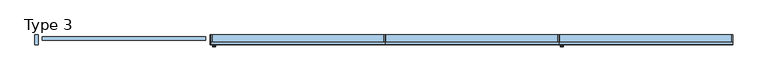
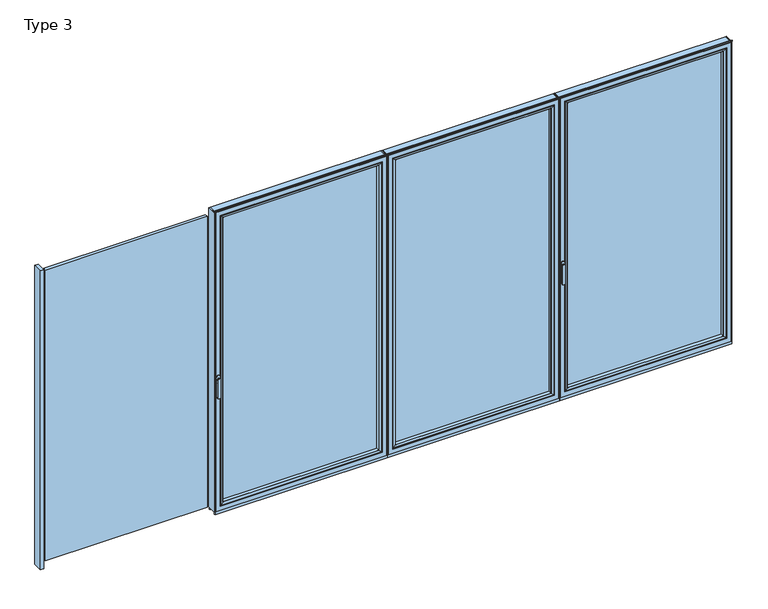
"""IFC4 building model written with IfcOpenShell, lengths in millimetres: window geometry, Type 3."""

from ifc_helpers import new_model, si_unit, point, frame, frame_2d, origin, place, context, project, spatial, polyline, circle_curve, ellipse_curve, trimmed, segment, composite_curve, outline, extrude, source, transform, mapped, element, save
from ifc_brep_helpers import plane_surface, cylinder_surface, extruded_surface, advanced_brep


def type_3_3ad7c6fe(model_context):
    return source(origin(), model_context, "Body", "SolidModel", [
        advanced_brep(
        [(-1209.4363692, -73.5, 1050.0), (-1233.4136308, -73.5, 1050.0), (-1209.4363692, -76.8965533, 1050.0), (-1233.4136308, -76.8965533, 1050.0), (-1209.4363692, -84.5, 1050.0), (-1233.4136308, -84.5, 1050.0), (-1233.4136308, -84.5, 918.6867153), (-1209.4363692, -84.5, 918.6867153), (-1209.4363692, -76.8965533, 918.6867153), (-1233.4136308, -76.8965533, 918.6867153)],
        [
            (0, 1, circle_curve(frame((-1221.425, -73.5, 1050.0), z_axis=(0.0, 1.0, 0.0), x_axis=(-1.0, 0.0, 0.0)), 11.9886308)),
            (1, 0, circle_curve(frame((-1221.425, -73.5, 1050.0), z_axis=(0.0, 1.0, 0.0), x_axis=(-1.0, 0.0, 0.0)), 11.9886308)),
            (0, 2),
            (2, 3, circle_curve(frame((-1221.425, -76.8965533, 1050.0), z_axis=(0.0, 1.0, 0.0), x_axis=(-1.0, 0.0, 0.0)), 11.9886308)),
            (3, 1),
            (3, 2, circle_curve(frame((-1221.425, -76.8965533, 1050.0), z_axis=(0.0, 1.0, 0.0), x_axis=(-1.0, 0.0, 0.0)), 11.9886308)),
            (4, 5, circle_curve(frame((-1221.425, -84.5, 1050.0), z_axis=(0.0, -1.0, 0.0), x_axis=(-1.0, 0.0, 0.0)), 11.9886308)),
            (5, 6),
            (6, 7, ellipse_curve(frame((-1221.425, -84.5, 918.6867153), z_axis=(0.0, -1.0, 0.0), x_axis=(1.0, 0.0, 0.0)), 11.9886308, 7.9050795)),
            (7, 4),
            (2, 8),
            (8, 9, ellipse_curve(frame((-1221.425, -76.8965533, 918.6867153), z_axis=(0.0, 1.0, 0.0), x_axis=(1.0, 0.0, 0.0)), 11.9886308, 7.9050795)),
            (9, 3),
            (7, 8),
            (2, 4),
            (6, 9),
            (5, 3),
        ],
        [
            plane_surface(frame((-1233.4136308, -73.5, 1050.0), z_axis=(0.0, 1.0, 0.0), x_axis=(0.0, 0.0, -1.0))),
            cylinder_surface(frame((-1221.425, -73.5, 1050.0), z_axis=(0.0, -1.0, 0.0), x_axis=(-1.0, 0.0, 0.0)), 11.9886308),
            plane_surface(frame((-1209.4363692, -84.5, 928.3382074), z_axis=(0.0, -1.0, 0.0), x_axis=(0.0, 0.0, -1.0))),
            plane_surface(frame((-1209.4363692, -76.8965533, 928.3382074), z_axis=(0.0, 1.0, 0.0), x_axis=(0.0, 0.0, 1.0))),
            plane_surface(frame((-1209.4363692, -84.5, 1050.0), z_axis=(1.0, 0.0, 0.0), x_axis=(0.0, 1.0, 0.0))),
            extruded_surface(trimmed(ellipse_curve(frame((-1221.425, -76.8965533, 918.6867153), z_axis=(0.0, 1.0, 0.0), x_axis=(1.0, 0.0, 0.0)), 11.9886308, 7.9050795), [point((-1209.4363692, -76.8965533, 918.6867153))], [point((-1233.4136308, -76.8965533, 918.6867153))], True, "CARTESIAN"), (0.0, 7.603446699999992, 0.0), 7.603446699999992),
            plane_surface(frame((-1233.4136308, -84.5, 918.6867153), z_axis=(-1.0, 0.0, 0.0), x_axis=(0.0, 1.0, 0.0))),
            cylinder_surface(frame((-1221.425, -76.8965533, 1050.0), z_axis=(0.0, -1.0, 0.0), x_axis=(-1.0, 0.0, 0.0)), 11.9886308),
        ],
        [
            (0, [[1, 2]]),
            (1, [[3, 4, 5, -1]]),
            (1, [[-5, 6, -3, -2]]),
            (2, [[7, 8, 9, 10]]),
            (3, [[-4, 11, 12, 13]]),
            (4, [[14, -11, 15, -10]]),
            (5, [[16, -12, -14, -9]]),
            (6, [[17, -13, -16, -8]]),
            (7, [[-15, -6, -17, -7]]),
        ],
    ),
        extrude(outline(composite_curve([segment(trimmed(circle_curve(frame_2d((1068.75, -1221.425)), 14.0), [point((1068.75, -1207.425))], [point((1068.75, -1235.425))], False, "CARTESIAN"), True, "CONTINUOUS"), segment(polyline([(1068.75, -1235.425), (1031.25, -1235.425)]), True, "CONTINUOUS"), segment(trimmed(circle_curve(frame_2d((1031.25, -1221.425)), 14.0), [point((1031.25, -1235.425))], [point((1031.25, -1207.425))], False, "CARTESIAN"), True, "CONTINUOUS"), segment(polyline([(1031.25, -1207.425), (1068.75, -1207.425)]), True, "CONTINUOUS")], self_intersect=False)), frame((0.0, -73.5, 0.0), z_axis=(0.0, 1.0, 0.0), x_axis=(0.0, 0.0, 1.0)), (0.0, 0.0, 1.0), 3.5),
        extrude(outline(polyline([(10.65, 0.0), (10.65, -70.0), (4.65, -70.0), (4.65, 0.0), (10.65, 0.0)])), frame((0.0, 0.0, 37.5), z_axis=(0.0, 0.0, 1.0), x_axis=(1.0, 0.0, 0.0)), (0.0, 0.0, 1.0), 2299.5),
        extrude(outline(polyline([(-1243.425, 0.0), (-1237.425, 0.0), (-1237.425, -70.0), (-1243.425, -70.0), (-1243.425, 0.0)])), frame((0.0, 0.0, 37.5), z_axis=(0.0, 0.0, 1.0), x_axis=(1.0, 0.0, 0.0)), (0.0, 0.0, 1.0), 2299.5),
        extrude(outline(polyline([(-27.35, -13.999939), (-27.35, -37.9928974), (-1205.425, -37.9928974), (-1205.425, -13.999939), (-27.35, -13.999939)])), frame((0.0, 0.0, 69.5), z_axis=(0.0, 0.0, 1.0), x_axis=(1.0, 0.0, 0.0)), (0.0, 0.0, 1.0), 2235.5),
        advanced_brep(
        [(-1183.4254272, -64.5552044, 2283.0004272), (-1183.4254272, -64.5552044, 91.4995728), (-1183.4254272, -37.9928974, 91.4995728), (-1183.4254272, -37.9928974, 2283.0004272), (-1205.425, -37.9928974, 2305.0), (-27.35, -37.9928974, 2305.0), (-27.35, -37.9928974, 69.5), (-1205.425, -37.9928974, 69.5), (-49.3495728, -37.9928974, 2283.0004272), (-49.3495728, -37.9928974, 91.4995728), (-49.3495728, -64.5552044, 91.4995728), (-1184.1349707, -65.8045072, 2283.7099707), (-1184.1349707, -65.8045072, 90.7900293), (-48.6400293, -65.8045072, 90.7900293), (-1199.425061, -70.0, 2299.000061), (-1199.425061, -70.0, 75.499939), (-33.349939, -70.0, 75.499939), (-27.35, -70.0, 2305.0), (-1205.425, -70.0, 2305.0), (-1205.425, -70.0, 69.5), (-27.35, -70.0, 69.5), (-33.349939, -70.0, 2299.000061), (-49.3495728, -64.5552044, 2283.0004272), (-48.6400293, -65.8045072, 2283.7099707)],
        [
            (0, 1),
            (1, 2),
            (2, 3),
            (3, 0),
            (4, 5),
            (5, 6),
            (6, 7),
            (7, 4),
            (8, 3),
            (2, 9),
            (9, 8),
            (1, 10),
            (10, 9),
            (11, 12),
            (12, 1, ellipse_curve(frame((-1184.8800312, -64.5552044, 90.0449688), z_axis=(-0.7071067811865475, 0.0, 0.7071067811865475), x_axis=(0.7071067811865474, 0.0, 0.7071067811865476)), 2.0571207, 1.454604)),
            (0, 11, ellipse_curve(frame((-1184.8800312, -64.5552044, 2284.4550312), z_axis=(-0.7071067811865475, 0.0, -0.7071067811865475), x_axis=(-0.7071067811865474, 0.0, 0.7071067811865476)), 2.0571207, 1.454604)),
            (12, 13),
            (13, 10, ellipse_curve(frame((-47.8949688, -64.5552044, 90.0449688), z_axis=(-0.7071067811865475, 0.0, -0.7071067811865475), x_axis=(-0.7071067811865476, 0.0, 0.7071067811865474)), 2.0571207, 1.454604)),
            (14, 15),
            (15, 12, ellipse_curve(frame((-1199.3611254, -40.2735922, 75.5638746), z_axis=(-0.7071067811865475, 0.0, 0.7071067811865475), x_axis=(0.7071067811865474, 0.0, 0.7071067811865476)), 42.0395863, 29.7264765)),
            (11, 14, ellipse_curve(frame((-1199.3611254, -40.2735922, 2298.9361254), z_axis=(-0.7071067811865475, 0.0, -0.7071067811865475), x_axis=(-0.7071067811865474, 0.0, 0.7071067811865476)), 42.0395863, 29.7264765)),
            (15, 16),
            (16, 13, ellipse_curve(frame((-33.4138746, -40.2735922, 75.5638746), z_axis=(-0.7071067811865475, 0.0, -0.7071067811865475), x_axis=(-0.7071067811865476, 0.0, 0.7071067811865474)), 42.0395863, 29.7264765)),
            (17, 18),
            (18, 19),
            (19, 20),
            (20, 17),
            (14, 21),
            (21, 16),
            (7, 19),
            (18, 4),
            (6, 20),
            (10, 22),
            (22, 8),
            (13, 23),
            (23, 22, ellipse_curve(frame((-47.8949688, -64.5552044, 2284.4550312), z_axis=(0.7071067811865475, 0.0, -0.7071067811865475), x_axis=(-0.7071067811865474, 0.0, -0.7071067811865476)), 2.0571207, 1.454604)),
            (21, 23, ellipse_curve(frame((-33.4138746, -40.2735922, 2298.9361254), z_axis=(0.7071067811865475, 0.0, -0.7071067811865475), x_axis=(-0.7071067811865474, 0.0, -0.7071067811865476)), 42.0395863, 29.7264765)),
            (5, 17),
            (22, 0),
            (23, 11),
        ],
        [
            plane_surface(frame((-1183.4254272, -37.9928974, 2283.0004272), z_axis=(1.0, 0.0, 0.0), x_axis=(0.0, 0.0, -1.0))),
            plane_surface(frame((-27.35, -37.9928974, 69.5), z_axis=(0.0, 1.0, 0.0), x_axis=(0.0, 0.0, 1.0))),
            plane_surface(frame((-1183.4254272, -37.9928974, 91.4995728), z_axis=(0.0, 0.0, 1.0), x_axis=(1.0, 0.0, 0.0))),
            cylinder_surface(frame((-1184.8800312, -64.5552044, 2283.0004272), z_axis=(0.0, 0.0, 1.0), x_axis=(-1.0, 0.0, 0.0)), 1.454604),
            cylinder_surface(frame((-1183.4254272, -64.5552044, 90.0449688), z_axis=(-1.0, 0.0, 0.0), x_axis=(0.0, 0.0, -1.0)), 1.454604),
            cylinder_surface(frame((-1199.3611254, -40.2735922, 2283.0004272), z_axis=(0.0, 0.0, 1.0), x_axis=(-1.0, 0.0, 0.0)), 29.7264765),
            cylinder_surface(frame((-1183.4254272, -40.2735922, 75.5638746), z_axis=(-1.0, 0.0, 0.0), x_axis=(0.0, 0.0, -1.0)), 29.7264765),
            plane_surface(frame((-33.349939, -70.0, 75.499939), z_axis=(0.0, -1.0, 0.0), x_axis=(0.0, 0.0, 1.0))),
            plane_surface(frame((-1205.425, -70.0, 2305.0), z_axis=(-1.0, 0.0, 0.0), x_axis=(0.0, 0.0, -1.0))),
            plane_surface(frame((-1205.425, -70.0, 69.5), z_axis=(0.0, 0.0, -1.0), x_axis=(1.0, 0.0, 0.0))),
            plane_surface(frame((-49.3495728, -37.9928974, 91.4995728), z_axis=(-1.0, 0.0, 0.0), x_axis=(0.0, 0.0, 1.0))),
            cylinder_surface(frame((-47.8949688, -64.5552044, 91.4995728), z_axis=(0.0, 0.0, -1.0), x_axis=(1.0, 0.0, 0.0)), 1.454604),
            cylinder_surface(frame((-33.4138746, -40.2735922, 91.4995728), z_axis=(0.0, 0.0, -1.0), x_axis=(1.0, 0.0, 0.0)), 29.7264765),
            plane_surface(frame((-27.35, -70.0, 69.5), z_axis=(1.0, 0.0, 0.0), x_axis=(0.0, 0.0, 1.0))),
            plane_surface(frame((-49.3495728, -37.9928974, 2283.0004272), z_axis=(0.0, 0.0, -1.0), x_axis=(-1.0, 0.0, 0.0))),
            cylinder_surface(frame((-49.3495728, -64.5552044, 2284.4550312), z_axis=(1.0, 0.0, 0.0), x_axis=(0.0, 0.0, 1.0)), 1.454604),
            cylinder_surface(frame((-49.3495728, -40.2735922, 2298.9361254), z_axis=(1.0, 0.0, 0.0), x_axis=(0.0, 0.0, 1.0)), 29.7264765),
            plane_surface(frame((-27.35, -70.0, 2305.0), z_axis=(0.0, 0.0, 1.0), x_axis=(-1.0, 0.0, 0.0))),
        ],
        [
            (0, [[1, 2, 3, 4]]),
            (1, [[5, 6, 7, 8], [9, -3, 10, 11]]),
            (2, [[12, 13, -10, -2]]),
            (3, [[14, 15, -1, 16]]),
            (4, [[17, 18, -12, -15]]),
            (5, [[19, 20, -14, 21]]),
            (6, [[22, 23, -17, -20]]),
            (7, [[24, 25, 26, 27], [28, 29, -22, -19]]),
            (8, [[-8, 30, -25, 31]]),
            (9, [[-7, 32, -26, -30]]),
            (10, [[33, 34, -11, -13]]),
            (11, [[35, 36, -33, -18]]),
            (12, [[-29, 37, -35, -23]]),
            (13, [[-6, 38, -27, -32]]),
            (14, [[39, -4, -9, -34]]),
            (15, [[40, -16, -39, -36]]),
            (16, [[-28, -21, -40, -37]]),
            (17, [[-5, -31, -24, -38]]),
        ],
    ),
        advanced_brep(
        [(4.65, -70.0, 2337.0), (4.65, -70.0, 37.5), (4.65, 0.0, 37.5), (4.65, 0.0, 2337.0), (-1237.425, -70.0, 37.5), (-1237.425, 0.0, 37.5), (-1237.425, 0.0, 2337.0), (-1187.9258099, 0.0, 86.9991901), (-44.8491901, 0.0, 86.9991901), (-44.8491901, 0.0, 2287.5008099), (-1187.9258099, 0.0, 2287.5008099), (-1237.425, -70.0, 2337.0), (-27.35, -70.0, 69.5), (-1205.425, -70.0, 69.5), (-1205.425, -70.0, 2305.0), (-27.35, -70.0, 2305.0), (-27.35, -13.999939, 2305.0), (-27.35, -13.999939, 69.5), (-1205.425, -13.999939, 69.5), (-1205.425, -13.999939, 2305.0), (-49.3495728, -13.999939, 91.4995728), (-1183.4254272, -13.999939, 91.4995728), (-1183.4254272, -13.999939, 2283.0004272), (-49.3495728, -13.999939, 2283.0004272), (-49.3495728, -4.5004435, 2283.0004272), (-49.3495728, -4.5004435, 91.4995728), (-1183.4254272, -4.5004435, 91.4995728), (-1183.4254272, -4.5004435, 2283.0004272)],
        [
            (0, 1),
            (1, 2),
            (2, 3),
            (3, 0),
            (1, 4),
            (4, 5),
            (5, 2),
            (5, 6),
            (6, 3),
            (7, 8),
            (8, 9),
            (9, 10),
            (10, 7),
            (4, 11),
            (11, 6),
            (0, 11),
            (12, 13),
            (13, 14),
            (14, 15),
            (15, 12),
            (16, 17),
            (17, 12),
            (15, 16),
            (17, 18),
            (18, 13),
            (18, 19),
            (19, 14),
            (16, 19),
            (20, 21),
            (21, 22),
            (22, 23),
            (23, 20),
            (24, 25),
            (25, 20),
            (23, 24),
            (25, 26),
            (26, 21),
            (26, 27),
            (27, 22),
            (7, 26, ellipse_curve(frame((-1187.9258099, -4.5004435, 86.9991901), z_axis=(0.7071067811865475, 0.0, -0.7071067811865475), x_axis=(0.7071067811865476, 0.0, 0.7071067811865474)), 6.3645023, 4.5003827)),
            (25, 8, ellipse_curve(frame((-44.8491901, -4.5004435, 86.9991901), z_axis=(-0.7071067811865475, 0.0, -0.7071067811865475), x_axis=(0.7071067811865476, 0.0, -0.7071067811865474)), 6.3645023, 4.5003827)),
            (24, 9, ellipse_curve(frame((-44.8491901, -4.5004435, 2287.5008099), z_axis=(0.7071067811865475, 0.0, -0.7071067811865475), x_axis=(0.7071067811865474, 0.0, 0.7071067811865476)), 6.3645023, 4.5003827)),
            (10, 27, ellipse_curve(frame((-1187.9258099, -4.5004435, 2287.5008099), z_axis=(-0.7071067811865475, 0.0, -0.7071067811865475), x_axis=(0.7071067811865474, 0.0, -0.7071067811865476)), 6.3645023, 4.5003827)),
            (27, 24),
        ],
        [
            plane_surface(frame((4.65, 0.0, 2337.0), z_axis=(1.0, 0.0, 0.0), x_axis=(0.0, 0.0, -1.0))),
            plane_surface(frame((4.65, 0.0, 37.5), z_axis=(0.0, 0.0, -1.0), x_axis=(-1.0, 0.0, 0.0))),
            plane_surface(frame((-44.8491901, 0.0, 2287.5008099), z_axis=(0.0, 1.0, 0.0), x_axis=(0.0, 0.0, -1.0))),
            plane_surface(frame((-1237.425, 0.0, 37.5), z_axis=(-1.0, 0.0, 0.0), x_axis=(0.0, 0.0, 1.0))),
            plane_surface(frame((4.65, -70.0, 2337.0), z_axis=(0.0, -1.0, 0.0), x_axis=(0.0, 0.0, -1.0))),
            plane_surface(frame((-27.35, -70.0, 2305.0), z_axis=(-1.0, 0.0, 0.0), x_axis=(0.0, 0.0, -1.0))),
            plane_surface(frame((-27.35, -70.0, 69.5), z_axis=(0.0, 0.0, 1.0), x_axis=(-1.0, 0.0, 0.0))),
            plane_surface(frame((-1205.425, -70.0, 69.5), z_axis=(1.0, 0.0, 0.0), x_axis=(0.0, 0.0, 1.0))),
            plane_surface(frame((-27.35, -13.999939, 2305.0), z_axis=(0.0, -1.0, 0.0), x_axis=(0.0, 0.0, -1.0))),
            plane_surface(frame((-49.3495728, -13.999939, 2283.0004272), z_axis=(-1.0, 0.0, 0.0), x_axis=(0.0, 0.0, -1.0))),
            plane_surface(frame((-49.3495728, -13.999939, 91.4995728), z_axis=(0.0, 0.0, 1.0), x_axis=(-1.0, 0.0, 0.0))),
            plane_surface(frame((-1183.4254272, -13.999939, 91.4995728), z_axis=(1.0, 0.0, 0.0), x_axis=(0.0, 0.0, 1.0))),
            cylinder_surface(frame((10.65, -4.5004435, 86.9991901), z_axis=(1.0, 0.0, 0.0), x_axis=(0.0, -1.0, 0.0)), 4.5003827),
            cylinder_surface(frame((-44.8491901, -4.5004435, 2343.0), z_axis=(0.0, 0.0, 1.0), x_axis=(0.0, -1.0, 0.0)), 4.5003827),
            cylinder_surface(frame((-1187.9258099, -4.5004435, 31.5), z_axis=(0.0, 0.0, -1.0), x_axis=(0.0, -1.0, 0.0)), 4.5003827),
            plane_surface(frame((-1237.425, 0.0, 2337.0), z_axis=(0.0, 0.0, 1.0), x_axis=(1.0, 0.0, 0.0))),
            plane_surface(frame((-1205.425, -70.0, 2305.0), z_axis=(0.0, 0.0, -1.0), x_axis=(1.0, 0.0, 0.0))),
            plane_surface(frame((-1183.4254272, -13.999939, 2283.0004272), z_axis=(0.0, 0.0, -1.0), x_axis=(1.0, 0.0, 0.0))),
            cylinder_surface(frame((-1243.425, -4.5004435, 2287.5008099), z_axis=(-1.0, 0.0, 0.0), x_axis=(0.0, -1.0, 0.0)), 4.5003827),
        ],
        [
            (0, [[1, 2, 3, 4]]),
            (1, [[5, 6, 7, -2]]),
            (2, [[-7, 8, 9, -3], [10, 11, 12, 13]]),
            (3, [[14, 15, -8, -6]]),
            (4, [[-5, -1, 16, -14], [17, 18, 19, 20]]),
            (5, [[21, 22, -20, 23]]),
            (6, [[24, 25, -17, -22]]),
            (7, [[26, 27, -18, -25]]),
            (8, [[-24, -21, 28, -26], [29, 30, 31, 32]]),
            (9, [[33, 34, -32, 35]]),
            (10, [[36, 37, -29, -34]]),
            (11, [[38, 39, -30, -37]]),
            (12, [[-10, 40, -36, 41]]),
            (13, [[-11, -41, -33, 42]]),
            (14, [[-13, 43, -38, -40]]),
            (15, [[-16, -4, -9, -15]]),
            (16, [[-28, -23, -19, -27]]),
            (17, [[44, -35, -31, -39]]),
            (18, [[-12, -42, -44, -43]]),
        ],
    ),
        extrude(outline(polyline([(10.65, -7.6000076), (-1243.425, -7.6000076), (-1243.425, 0.0), (10.65, 0.0), (10.65, -7.6000076)])), frame((0.0, 0.0, 15.4995117), z_axis=(0.0, 0.0, 1.0), x_axis=(1.0, 0.0, 0.0)), (0.0, 0.0, 1.0), 22.0004883),
        extrude(outline(polyline([(10.65, -70.0), (-1243.425, -70.0), (-1243.425, -62.2757497), (10.65, -62.2757497), (10.65, -70.0)])), frame((0.0, 0.0, 15.4995117), z_axis=(0.0, 0.0, 1.0), x_axis=(1.0, 0.0, 0.0)), (0.0, 0.0, 1.0), 22.0004883),
        extrude(outline(composite_curve([segment(polyline([(-52.044326, 2339.1400778), (-52.044326, 2337.0), (-70.0, 2337.0), (-71.8735116, 2343.9547971)]), True, "CONTINUOUS"), segment(trimmed(circle_curve(frame_2d((-69.9423544, 2344.4750201)), 2.0), [point((-71.8735116, 2343.9547971))], [point((-71.8738669, 2344.9939222))], False, "CARTESIAN"), True, "CONTINUOUS"), segment(polyline([(-71.8738669, 2344.9939222), (-70.8937897, 2348.6420698), (-70.0, 2348.6420698), (-70.0, 2342.963961), (-68.6363596, 2339.1400778), (-52.044326, 2339.1400778)]), True, "CONTINUOUS")], self_intersect=False)), frame((-1243.425, 0.0, 0.0), z_axis=(1.0, 0.0, 0.0), x_axis=(0.0, 1.0, 0.0)), (0.0, 0.0, 1.0), 1254.075),
        extrude(outline(polyline([(10.65, 0.0), (16.65, 0.0), (16.65, -70.0), (10.65, -70.0), (10.65, 0.0)])), frame((0.0, 0.0, 37.5), z_axis=(0.0, 0.0, 1.0), x_axis=(1.0, 0.0, 0.0)), (0.0, 0.0, 1.0), 2299.5),
        extrude(outline(polyline([(1264.725, 0.0), (1264.725, -70.0), (1258.725, -70.0), (1258.725, 0.0), (1264.725, 0.0)])), frame((0.0, 0.0, 37.5), z_axis=(0.0, 0.0, 1.0), x_axis=(1.0, 0.0, 0.0)), (0.0, 0.0, 1.0), 2299.5),
        extrude(outline(polyline([(48.65, -13.999939), (1226.725, -13.999939), (1226.725, -37.9928974), (48.65, -37.9928974), (48.65, -13.999939)])), frame((0.0, 0.0, 69.5), z_axis=(0.0, 0.0, 1.0), x_axis=(1.0, 0.0, 0.0)), (0.0, 0.0, 1.0), 2235.5),
        advanced_brep(
        [(1204.7254272, -64.5552044, 2283.0004272), (1204.7254272, -37.9928974, 2283.0004272), (1204.7254272, -37.9928974, 91.4995728), (1204.7254272, -64.5552044, 91.4995728), (1226.725, -37.9928974, 2305.0), (1226.725, -37.9928974, 69.5), (48.65, -37.9928974, 69.5), (48.65, -37.9928974, 2305.0), (70.6495728, -37.9928974, 2283.0004272), (70.6495728, -37.9928974, 91.4995728), (70.6495728, -64.5552044, 91.4995728), (1205.4349707, -65.8045072, 2283.7099707), (1205.4349707, -65.8045072, 90.7900293), (69.9400293, -65.8045072, 90.7900293), (1220.725061, -70.0, 2299.000061), (1220.725061, -70.0, 75.499939), (54.649939, -70.0, 75.499939), (48.65, -70.0, 2305.0), (48.65, -70.0, 69.5), (1226.725, -70.0, 69.5), (1226.725, -70.0, 2305.0), (54.649939, -70.0, 2299.000061), (70.6495728, -64.5552044, 2283.0004272), (69.9400293, -65.8045072, 2283.7099707)],
        [
            (0, 1),
            (1, 2),
            (2, 3),
            (3, 0),
            (4, 5),
            (5, 6),
            (6, 7),
            (7, 4),
            (8, 9),
            (9, 2),
            (1, 8),
            (9, 10),
            (10, 3),
            (11, 0, ellipse_curve(frame((1206.1800312, -64.5552044, 2284.4550312), z_axis=(0.7071067811865475, 0.0, -0.7071067811865475), x_axis=(0.7071067811865474, 0.0, 0.7071067811865476)), 2.0571207, 1.454604)),
            (3, 12, ellipse_curve(frame((1206.1800312, -64.5552044, 90.0449688), z_axis=(0.7071067811865475, 0.0, 0.7071067811865475), x_axis=(-0.7071067811865474, 0.0, 0.7071067811865476)), 2.0571207, 1.454604)),
            (12, 11),
            (10, 13, ellipse_curve(frame((69.1949688, -64.5552044, 90.0449688), z_axis=(0.7071067811865475, 0.0, -0.7071067811865475), x_axis=(0.7071067811865476, 0.0, 0.7071067811865474)), 2.0571207, 1.454604)),
            (13, 12),
            (14, 11, ellipse_curve(frame((1220.6611254, -40.2735922, 2298.9361254), z_axis=(0.7071067811865475, 0.0, -0.7071067811865475), x_axis=(0.7071067811865474, 0.0, 0.7071067811865476)), 42.0395863, 29.7264765)),
            (12, 15, ellipse_curve(frame((1220.6611254, -40.2735922, 75.5638746), z_axis=(0.7071067811865475, 0.0, 0.7071067811865475), x_axis=(-0.7071067811865474, 0.0, 0.7071067811865476)), 42.0395863, 29.7264765)),
            (15, 14),
            (13, 16, ellipse_curve(frame((54.7138746, -40.2735922, 75.5638746), z_axis=(0.7071067811865475, 0.0, -0.7071067811865475), x_axis=(0.7071067811865476, 0.0, 0.7071067811865474)), 42.0395863, 29.7264765)),
            (16, 15),
            (17, 18),
            (18, 19),
            (19, 20),
            (20, 17),
            (16, 21),
            (21, 14),
            (4, 20),
            (19, 5),
            (18, 6),
            (8, 22),
            (22, 10),
            (22, 23, ellipse_curve(frame((69.1949688, -64.5552044, 2284.4550312), z_axis=(-0.7071067811865475, 0.0, -0.7071067811865475), x_axis=(0.7071067811865474, 0.0, -0.7071067811865476)), 2.0571207, 1.454604)),
            (23, 13),
            (23, 21, ellipse_curve(frame((54.7138746, -40.2735922, 2298.9361254), z_axis=(-0.7071067811865475, 0.0, -0.7071067811865475), x_axis=(0.7071067811865474, 0.0, -0.7071067811865476)), 42.0395863, 29.7264765)),
            (17, 7),
            (0, 22),
            (11, 23),
        ],
        [
            plane_surface(frame((1204.7254272, -37.9928974, 2283.0004272), z_axis=(-1.0, 0.0, 0.0), x_axis=(0.0, 0.0, -1.0))),
            plane_surface(frame((48.65, -37.9928974, 69.5), z_axis=(0.0, 1.0, 0.0), x_axis=(0.0, 0.0, 1.0))),
            plane_surface(frame((1204.7254272, -37.9928974, 91.4995728), z_axis=(0.0, 0.0, 1.0), x_axis=(-1.0, 0.0, 0.0))),
            cylinder_surface(frame((1206.1800312, -64.5552044, 2283.0004272), z_axis=(0.0, 0.0, 1.0), x_axis=(1.0, 0.0, 0.0)), 1.454604),
            cylinder_surface(frame((1204.7254272, -64.5552044, 90.0449688), z_axis=(1.0, 0.0, 0.0), x_axis=(0.0, 0.0, -1.0)), 1.454604),
            cylinder_surface(frame((1220.6611254, -40.2735922, 2283.0004272), z_axis=(0.0, 0.0, 1.0), x_axis=(1.0, 0.0, 0.0)), 29.7264765),
            cylinder_surface(frame((1204.7254272, -40.2735922, 75.5638746), z_axis=(1.0, 0.0, 0.0), x_axis=(0.0, 0.0, -1.0)), 29.7264765),
            plane_surface(frame((54.649939, -70.0, 75.499939), z_axis=(0.0, -1.0, 0.0), x_axis=(0.0, 0.0, 1.0))),
            plane_surface(frame((1226.725, -70.0, 2305.0), z_axis=(1.0, 0.0, 0.0), x_axis=(0.0, 0.0, -1.0))),
            plane_surface(frame((1226.725, -70.0, 69.5), z_axis=(0.0, 0.0, -1.0), x_axis=(-1.0, 0.0, 0.0))),
            plane_surface(frame((70.6495728, -37.9928974, 91.4995728), z_axis=(1.0, 0.0, 0.0), x_axis=(0.0, 0.0, 1.0))),
            cylinder_surface(frame((69.1949688, -64.5552044, 91.4995728), z_axis=(0.0, 0.0, -1.0), x_axis=(-1.0, 0.0, 0.0)), 1.454604),
            cylinder_surface(frame((54.7138746, -40.2735922, 91.4995728), z_axis=(0.0, 0.0, -1.0), x_axis=(-1.0, 0.0, 0.0)), 29.7264765),
            plane_surface(frame((48.65, -70.0, 69.5), z_axis=(-1.0, 0.0, 0.0), x_axis=(0.0, 0.0, 1.0))),
            plane_surface(frame((70.6495728, -37.9928974, 2283.0004272), z_axis=(0.0, 0.0, -1.0), x_axis=(1.0, 0.0, 0.0))),
            cylinder_surface(frame((70.6495728, -64.5552044, 2284.4550312), z_axis=(-1.0, 0.0, 0.0), x_axis=(0.0, 0.0, 1.0)), 1.454604),
            cylinder_surface(frame((70.6495728, -40.2735922, 2298.9361254), z_axis=(-1.0, 0.0, 0.0), x_axis=(0.0, 0.0, 1.0)), 29.7264765),
            plane_surface(frame((48.65, -70.0, 2305.0), z_axis=(0.0, 0.0, 1.0), x_axis=(1.0, 0.0, 0.0))),
        ],
        [
            (0, [[1, 2, 3, 4]]),
            (1, [[5, 6, 7, 8], [9, 10, -2, 11]]),
            (2, [[-3, -10, 12, 13]]),
            (3, [[14, -4, 15, 16]]),
            (4, [[-15, -13, 17, 18]]),
            (5, [[19, -16, 20, 21]]),
            (6, [[-20, -18, 22, 23]]),
            (7, [[24, 25, 26, 27], [-21, -23, 28, 29]]),
            (8, [[30, -26, 31, -5]]),
            (9, [[-31, -25, 32, -6]]),
            (10, [[-12, -9, 33, 34]]),
            (11, [[-17, -34, 35, 36]]),
            (12, [[-22, -36, 37, -28]]),
            (13, [[-32, -24, 38, -7]]),
            (14, [[-33, -11, -1, 39]]),
            (15, [[-35, -39, -14, 40]]),
            (16, [[-37, -40, -19, -29]]),
            (17, [[-38, -27, -30, -8]]),
        ],
    ),
        advanced_brep(
        [(16.65, -70.0, 2337.0), (16.65, 0.0, 2337.0), (16.65, 0.0, 37.5), (16.65, -70.0, 37.5), (1258.725, 0.0, 37.5), (1258.725, -70.0, 37.5), (1258.725, 0.0, 2337.0), (1209.2258099, 0.0, 86.9991901), (1209.2258099, 0.0, 2287.5008099), (66.1491901, 0.0, 2287.5008099), (66.1491901, 0.0, 86.9991901), (1258.725, -70.0, 2337.0), (48.65, -70.0, 69.5), (48.65, -70.0, 2305.0), (1226.725, -70.0, 2305.0), (1226.725, -70.0, 69.5), (48.65, -13.999939, 2305.0), (48.65, -13.999939, 69.5), (1226.725, -13.999939, 69.5), (1226.725, -13.999939, 2305.0), (70.6495728, -13.999939, 91.4995728), (70.6495728, -13.999939, 2283.0004272), (1204.7254272, -13.999939, 2283.0004272), (1204.7254272, -13.999939, 91.4995728), (70.6495728, -4.5004435, 2283.0004272), (70.6495728, -4.5004435, 91.4995728), (1204.7254272, -4.5004435, 91.4995728), (1204.7254272, -4.5004435, 2283.0004272)],
        [
            (0, 1),
            (1, 2),
            (2, 3),
            (3, 0),
            (2, 4),
            (4, 5),
            (5, 3),
            (1, 6),
            (6, 4),
            (7, 8),
            (8, 9),
            (9, 10),
            (10, 7),
            (6, 11),
            (11, 5),
            (11, 0),
            (12, 13),
            (13, 14),
            (14, 15),
            (15, 12),
            (16, 13),
            (12, 17),
            (17, 16),
            (15, 18),
            (18, 17),
            (14, 19),
            (19, 18),
            (19, 16),
            (20, 21),
            (21, 22),
            (22, 23),
            (23, 20),
            (24, 21),
            (20, 25),
            (25, 24),
            (23, 26),
            (26, 25),
            (22, 27),
            (27, 26),
            (10, 25, ellipse_curve(frame((66.1491901, -4.5004435, 86.9991901), z_axis=(0.7071067811865475, 0.0, -0.7071067811865475), x_axis=(-0.7071067811865476, 0.0, -0.7071067811865474)), 6.3645023, 4.5003827)),
            (26, 7, ellipse_curve(frame((1209.2258099, -4.5004435, 86.9991901), z_axis=(-0.7071067811865475, 0.0, -0.7071067811865475), x_axis=(-0.7071067811865476, 0.0, 0.7071067811865474)), 6.3645023, 4.5003827)),
            (9, 24, ellipse_curve(frame((66.1491901, -4.5004435, 2287.5008099), z_axis=(-0.7071067811865475, 0.0, -0.7071067811865475), x_axis=(-0.7071067811865474, 0.0, 0.7071067811865476)), 6.3645023, 4.5003827)),
            (27, 8, ellipse_curve(frame((1209.2258099, -4.5004435, 2287.5008099), z_axis=(0.7071067811865475, 0.0, -0.7071067811865475), x_axis=(-0.7071067811865474, 0.0, -0.7071067811865476)), 6.3645023, 4.5003827)),
            (24, 27),
        ],
        [
            plane_surface(frame((16.65, 0.0, 2337.0), z_axis=(-1.0, 0.0, 0.0), x_axis=(0.0, 0.0, -1.0))),
            plane_surface(frame((16.65, 0.0, 37.5), z_axis=(0.0, 0.0, -1.0), x_axis=(1.0, 0.0, 0.0))),
            plane_surface(frame((66.1491901, 0.0, 2287.5008099), z_axis=(0.0, 1.0, 0.0), x_axis=(0.0, 0.0, -1.0))),
            plane_surface(frame((1258.725, 0.0, 37.5), z_axis=(1.0, 0.0, 0.0), x_axis=(0.0, 0.0, 1.0))),
            plane_surface(frame((16.65, -70.0, 2337.0), z_axis=(0.0, -1.0, 0.0), x_axis=(0.0, 0.0, -1.0))),
            plane_surface(frame((48.65, -70.0, 2305.0), z_axis=(1.0, 0.0, 0.0), x_axis=(0.0, 0.0, -1.0))),
            plane_surface(frame((48.65, -70.0, 69.5), z_axis=(0.0, 0.0, 1.0), x_axis=(1.0, 0.0, 0.0))),
            plane_surface(frame((1226.725, -70.0, 69.5), z_axis=(-1.0, 0.0, 0.0), x_axis=(0.0, 0.0, 1.0))),
            plane_surface(frame((48.65, -13.999939, 2305.0), z_axis=(0.0, -1.0, 0.0), x_axis=(0.0, 0.0, -1.0))),
            plane_surface(frame((70.6495728, -13.999939, 2283.0004272), z_axis=(1.0, 0.0, 0.0), x_axis=(0.0, 0.0, -1.0))),
            plane_surface(frame((70.6495728, -13.999939, 91.4995728), z_axis=(0.0, 0.0, 1.0), x_axis=(1.0, 0.0, 0.0))),
            plane_surface(frame((1204.7254272, -13.999939, 91.4995728), z_axis=(-1.0, 0.0, 0.0), x_axis=(0.0, 0.0, 1.0))),
            cylinder_surface(frame((10.65, -4.5004435, 86.9991901), z_axis=(-1.0, 0.0, 0.0), x_axis=(0.0, -1.0, 0.0)), 4.5003827),
            cylinder_surface(frame((66.1491901, -4.5004435, 2343.0), z_axis=(0.0, 0.0, 1.0), x_axis=(0.0, -1.0, 0.0)), 4.5003827),
            cylinder_surface(frame((1209.2258099, -4.5004435, 31.5), z_axis=(0.0, 0.0, -1.0), x_axis=(0.0, -1.0, 0.0)), 4.5003827),
            plane_surface(frame((1258.725, 0.0, 2337.0), z_axis=(0.0, 0.0, 1.0), x_axis=(-1.0, 0.0, 0.0))),
            plane_surface(frame((1226.725, -70.0, 2305.0), z_axis=(0.0, 0.0, -1.0), x_axis=(-1.0, 0.0, 0.0))),
            plane_surface(frame((1204.7254272, -13.999939, 2283.0004272), z_axis=(0.0, 0.0, -1.0), x_axis=(-1.0, 0.0, 0.0))),
            cylinder_surface(frame((1264.725, -4.5004435, 2287.5008099), z_axis=(1.0, 0.0, 0.0), x_axis=(0.0, -1.0, 0.0)), 4.5003827),
        ],
        [
            (0, [[1, 2, 3, 4]]),
            (1, [[-3, 5, 6, 7]]),
            (2, [[-2, 8, 9, -5], [10, 11, 12, 13]]),
            (3, [[-6, -9, 14, 15]]),
            (4, [[-15, 16, -4, -7], [17, 18, 19, 20]]),
            (5, [[21, -17, 22, 23]]),
            (6, [[-22, -20, 24, 25]]),
            (7, [[-24, -19, 26, 27]]),
            (8, [[-27, 28, -23, -25], [29, 30, 31, 32]]),
            (9, [[33, -29, 34, 35]]),
            (10, [[-34, -32, 36, 37]]),
            (11, [[-36, -31, 38, 39]]),
            (12, [[40, -37, 41, -13]]),
            (13, [[42, -35, -40, -12]]),
            (14, [[-41, -39, 43, -10]]),
            (15, [[-14, -8, -1, -16]]),
            (16, [[-26, -18, -21, -28]]),
            (17, [[-38, -30, -33, 44]]),
            (18, [[-43, -44, -42, -11]]),
        ],
    ),
        extrude(outline(polyline([(10.65, -7.6000076), (10.65, 0.0), (1264.725, 0.0), (1264.725, -7.6000076), (10.65, -7.6000076)])), frame((0.0, 0.0, 15.4995117), z_axis=(0.0, 0.0, 1.0), x_axis=(1.0, 0.0, 0.0)), (0.0, 0.0, 1.0), 22.0004883),
        extrude(outline(polyline([(10.65, -70.0), (10.65, -62.2757497), (1264.725, -62.2757497), (1264.725, -70.0), (10.65, -70.0)])), frame((0.0, 0.0, 15.4995117), z_axis=(0.0, 0.0, 1.0), x_axis=(1.0, 0.0, 0.0)), (0.0, 0.0, 1.0), 22.0004883),
        extrude(outline(composite_curve([segment(polyline([(-52.044326, 2339.1400778), (-52.044326, 2337.0), (-70.0, 2337.0), (-71.8735116, 2343.9547971)]), True, "CONTINUOUS"), segment(trimmed(circle_curve(frame_2d((-69.9423544, 2344.4750201)), 2.0), [point((-71.8735116, 2343.9547971))], [point((-71.8738669, 2344.9939222))], False, "CARTESIAN"), True, "CONTINUOUS"), segment(polyline([(-71.8738669, 2344.9939222), (-70.8937897, 2348.6420698), (-70.0, 2348.6420698), (-70.0, 2342.963961), (-68.6363596, 2339.1400778), (-52.044326, 2339.1400778)]), True, "CONTINUOUS")], self_intersect=False)), frame((10.65, 0.0, 0.0), z_axis=(1.0, 0.0, 0.0), x_axis=(0.0, 1.0, 0.0)), (0.0, 0.0, 1.0), 1254.075),
        advanced_brep(
        [(1298.7136308, -73.5, 1050.0), (1274.7363692, -73.5, 1050.0), (1298.7136308, -76.8965533, 1050.0), (1274.7363692, -76.8965533, 1050.0), (1298.7136308, -84.5, 1050.0), (1274.7363692, -84.5, 1050.0), (1274.7363692, -84.5, 918.6867153), (1298.7136308, -84.5, 918.6867153), (1298.7136308, -76.8965533, 918.6867153), (1274.7363692, -76.8965533, 918.6867153)],
        [
            (0, 1, circle_curve(frame((1286.725, -73.5, 1050.0), z_axis=(0.0, 1.0, 0.0), x_axis=(-1.0, 0.0, 0.0)), 11.9886308)),
            (1, 0, circle_curve(frame((1286.725, -73.5, 1050.0), z_axis=(0.0, 1.0, 0.0), x_axis=(-1.0, 0.0, 0.0)), 11.9886308)),
            (0, 2),
            (2, 3, circle_curve(frame((1286.725, -76.8965533, 1050.0), z_axis=(0.0, 1.0, 0.0), x_axis=(-1.0, 0.0, 0.0)), 11.9886308)),
            (3, 1),
            (3, 2, circle_curve(frame((1286.725, -76.8965533, 1050.0), z_axis=(0.0, 1.0, 0.0), x_axis=(-1.0, 0.0, 0.0)), 11.9886308)),
            (4, 5, circle_curve(frame((1286.725, -84.5, 1050.0), z_axis=(0.0, -1.0, 0.0), x_axis=(-1.0, 0.0, 0.0)), 11.9886308)),
            (5, 6),
            (6, 7, ellipse_curve(frame((1286.725, -84.5, 918.6867153), z_axis=(0.0, -1.0, 0.0), x_axis=(1.0, 0.0, 0.0)), 11.9886308, 7.9050795)),
            (7, 4),
            (2, 8),
            (8, 9, ellipse_curve(frame((1286.725, -76.8965533, 918.6867153), z_axis=(0.0, 1.0, 0.0), x_axis=(1.0, 0.0, 0.0)), 11.9886308, 7.9050795)),
            (9, 3),
            (7, 8),
            (2, 4),
            (6, 9),
            (5, 3),
        ],
        [
            plane_surface(frame((1274.7363692, -73.5, 1050.0), z_axis=(0.0, 1.0, 0.0), x_axis=(0.0, 0.0, -1.0))),
            cylinder_surface(frame((1286.725, -73.5, 1050.0), z_axis=(0.0, -1.0, 0.0), x_axis=(-1.0, 0.0, 0.0)), 11.9886308),
            plane_surface(frame((1298.7136308, -84.5, 928.3382074), z_axis=(0.0, -1.0, 0.0), x_axis=(0.0, 0.0, -1.0))),
            plane_surface(frame((1298.7136308, -76.8965533, 928.3382074), z_axis=(0.0, 1.0, 0.0), x_axis=(0.0, 0.0, 1.0))),
            plane_surface(frame((1298.7136308, -84.5, 1050.0), z_axis=(1.0, 0.0, 0.0), x_axis=(0.0, 1.0, 0.0))),
            extruded_surface(trimmed(ellipse_curve(frame((1286.725, -76.8965533, 918.6867153), z_axis=(0.0, 1.0, 0.0), x_axis=(1.0, 0.0, 0.0)), 11.9886308, 7.9050795), [point((1298.7136308, -76.8965533, 918.6867153))], [point((1274.7363692, -76.8965533, 918.6867153))], True, "CARTESIAN"), (0.0, 7.603446699999992, 0.0), 7.603446699999992),
            plane_surface(frame((1274.7363692, -84.5, 918.6867153), z_axis=(-1.0, 0.0, 0.0), x_axis=(0.0, 1.0, 0.0))),
            cylinder_surface(frame((1286.725, -76.8965533, 1050.0), z_axis=(0.0, -1.0, 0.0), x_axis=(-1.0, 0.0, 0.0)), 11.9886308),
        ],
        [
            (0, [[1, 2]]),
            (1, [[3, 4, 5, -1]]),
            (1, [[-5, 6, -3, -2]]),
            (2, [[7, 8, 9, 10]]),
            (3, [[-4, 11, 12, 13]]),
            (4, [[14, -11, 15, -10]]),
            (5, [[16, -12, -14, -9]]),
            (6, [[17, -13, -16, -8]]),
            (7, [[-15, -6, -17, -7]]),
        ],
    ),
        extrude(outline(composite_curve([segment(trimmed(circle_curve(frame_2d((1068.75, 1286.725)), 14.0), [point((1068.75, 1300.725))], [point((1068.75, 1272.725))], False, "CARTESIAN"), True, "CONTINUOUS"), segment(polyline([(1068.75, 1272.725), (1031.25, 1272.725)]), True, "CONTINUOUS"), segment(trimmed(circle_curve(frame_2d((1031.25, 1286.725)), 14.0), [point((1031.25, 1272.725))], [point((1031.25, 1300.725))], False, "CARTESIAN"), True, "CONTINUOUS"), segment(polyline([(1031.25, 1300.725), (1068.75, 1300.725)]), True, "CONTINUOUS")], self_intersect=False)), frame((0.0, -73.5, 0.0), z_axis=(0.0, 1.0, 0.0), x_axis=(0.0, 0.0, 1.0)), (0.0, 0.0, 1.0), 3.5),
        extrude(outline(polyline([(2518.8, 0.0), (2518.8, -70.0), (2512.8, -70.0), (2512.8, 0.0), (2518.8, 0.0)])), frame((0.0, 0.0, 37.5), z_axis=(0.0, 0.0, 1.0), x_axis=(1.0, 0.0, 0.0)), (0.0, 0.0, 1.0), 2299.5),
        extrude(outline(polyline([(1264.725, 0.0), (1270.725, 0.0), (1270.725, -70.0), (1264.725, -70.0), (1264.725, 0.0)])), frame((0.0, 0.0, 37.5), z_axis=(0.0, 0.0, 1.0), x_axis=(1.0, 0.0, 0.0)), (0.0, 0.0, 1.0), 2299.5),
        extrude(outline(polyline([(2480.8, -13.999939), (2480.8, -37.9928974), (1302.725, -37.9928974), (1302.725, -13.999939), (2480.8, -13.999939)])), frame((0.0, 0.0, 69.5), z_axis=(0.0, 0.0, 1.0), x_axis=(1.0, 0.0, 0.0)), (0.0, 0.0, 1.0), 2235.5),
        advanced_brep(
        [(1324.7245728, -64.5552044, 2283.0004272), (1324.7245728, -64.5552044, 91.4995728), (1324.7245728, -37.9928974, 91.4995728), (1324.7245728, -37.9928974, 2283.0004272), (1302.725, -37.9928974, 2305.0), (2480.8, -37.9928974, 2305.0), (2480.8, -37.9928974, 69.5), (1302.725, -37.9928974, 69.5), (2458.8004272, -37.9928974, 2283.0004272), (2458.8004272, -37.9928974, 91.4995728), (2458.8004272, -64.5552044, 91.4995728), (1324.0150293, -65.8045072, 2283.7099707), (1324.0150293, -65.8045072, 90.7900293), (2459.5099707, -65.8045072, 90.7900293), (1308.724939, -70.0, 2299.000061), (1308.724939, -70.0, 75.499939), (2474.800061, -70.0, 75.499939), (2480.8, -70.0, 2305.0), (1302.725, -70.0, 2305.0), (1302.725, -70.0, 69.5), (2480.8, -70.0, 69.5), (2474.800061, -70.0, 2299.000061), (2458.8004272, -64.5552044, 2283.0004272), (2459.5099707, -65.8045072, 2283.7099707)],
        [
            (0, 1),
            (1, 2),
            (2, 3),
            (3, 0),
            (4, 5),
            (5, 6),
            (6, 7),
            (7, 4),
            (8, 3),
            (2, 9),
            (9, 8),
            (1, 10),
            (10, 9),
            (11, 12),
            (12, 1, ellipse_curve(frame((1323.2699688, -64.5552044, 90.0449688), z_axis=(-0.7071067811865475, 0.0, 0.7071067811865475), x_axis=(0.7071067811865474, 0.0, 0.7071067811865476)), 2.0571207, 1.454604)),
            (0, 11, ellipse_curve(frame((1323.2699688, -64.5552044, 2284.4550312), z_axis=(-0.7071067811865475, 0.0, -0.7071067811865475), x_axis=(-0.7071067811865474, 0.0, 0.7071067811865476)), 2.0571207, 1.454604)),
            (12, 13),
            (13, 10, ellipse_curve(frame((2460.2550312, -64.5552044, 90.0449688), z_axis=(-0.7071067811865475, 0.0, -0.7071067811865475), x_axis=(-0.7071067811865476, 0.0, 0.7071067811865474)), 2.0571207, 1.454604)),
            (14, 15),
            (15, 12, ellipse_curve(frame((1308.7888746, -40.2735922, 75.5638746), z_axis=(-0.7071067811865475, 0.0, 0.7071067811865475), x_axis=(0.7071067811865474, 0.0, 0.7071067811865476)), 42.0395863, 29.7264765)),
            (11, 14, ellipse_curve(frame((1308.7888746, -40.2735922, 2298.9361254), z_axis=(-0.7071067811865475, 0.0, -0.7071067811865475), x_axis=(-0.7071067811865474, 0.0, 0.7071067811865476)), 42.0395863, 29.7264765)),
            (15, 16),
            (16, 13, ellipse_curve(frame((2474.7361254, -40.2735922, 75.5638746), z_axis=(-0.7071067811865475, 0.0, -0.7071067811865475), x_axis=(-0.7071067811865476, 0.0, 0.7071067811865474)), 42.0395863, 29.7264765)),
            (17, 18),
            (18, 19),
            (19, 20),
            (20, 17),
            (14, 21),
            (21, 16),
            (7, 19),
            (18, 4),
            (6, 20),
            (10, 22),
            (22, 8),
            (13, 23),
            (23, 22, ellipse_curve(frame((2460.2550312, -64.5552044, 2284.4550312), z_axis=(0.7071067811865475, 0.0, -0.7071067811865475), x_axis=(-0.7071067811865474, 0.0, -0.7071067811865476)), 2.0571207, 1.454604)),
            (21, 23, ellipse_curve(frame((2474.7361254, -40.2735922, 2298.9361254), z_axis=(0.7071067811865475, 0.0, -0.7071067811865475), x_axis=(-0.7071067811865474, 0.0, -0.7071067811865476)), 42.0395863, 29.7264765)),
            (5, 17),
            (22, 0),
            (23, 11),
        ],
        [
            plane_surface(frame((1324.7245728, -37.9928974, 2283.0004272), z_axis=(1.0, 0.0, 0.0), x_axis=(0.0, 0.0, -1.0))),
            plane_surface(frame((2480.8, -37.9928974, 69.5), z_axis=(0.0, 1.0, 0.0), x_axis=(0.0, 0.0, 1.0))),
            plane_surface(frame((1324.7245728, -37.9928974, 91.4995728), z_axis=(0.0, 0.0, 1.0), x_axis=(1.0, 0.0, 0.0))),
            cylinder_surface(frame((1323.2699688, -64.5552044, 2283.0004272), z_axis=(0.0, 0.0, 1.0), x_axis=(-1.0, 0.0, 0.0)), 1.454604),
            cylinder_surface(frame((1324.7245728, -64.5552044, 90.0449688), z_axis=(-1.0, 0.0, 0.0), x_axis=(0.0, 0.0, -1.0)), 1.454604),
            cylinder_surface(frame((1308.7888746, -40.2735922, 2283.0004272), z_axis=(0.0, 0.0, 1.0), x_axis=(-1.0, 0.0, 0.0)), 29.7264765),
            cylinder_surface(frame((1324.7245728, -40.2735922, 75.5638746), z_axis=(-1.0, 0.0, 0.0), x_axis=(0.0, 0.0, -1.0)), 29.7264765),
            plane_surface(frame((2474.800061, -70.0, 75.499939), z_axis=(0.0, -1.0, 0.0), x_axis=(0.0, 0.0, 1.0))),
            plane_surface(frame((1302.725, -70.0, 2305.0), z_axis=(-1.0, 0.0, 0.0), x_axis=(0.0, 0.0, -1.0))),
            plane_surface(frame((1302.725, -70.0, 69.5), z_axis=(0.0, 0.0, -1.0), x_axis=(1.0, 0.0, 0.0))),
            plane_surface(frame((2458.8004272, -37.9928974, 91.4995728), z_axis=(-1.0, 0.0, 0.0), x_axis=(0.0, 0.0, 1.0))),
            cylinder_surface(frame((2460.2550312, -64.5552044, 91.4995728), z_axis=(0.0, 0.0, -1.0), x_axis=(1.0, 0.0, 0.0)), 1.454604),
            cylinder_surface(frame((2474.7361254, -40.2735922, 91.4995728), z_axis=(0.0, 0.0, -1.0), x_axis=(1.0, 0.0, 0.0)), 29.7264765),
            plane_surface(frame((2480.8, -70.0, 69.5), z_axis=(1.0, 0.0, 0.0), x_axis=(0.0, 0.0, 1.0))),
            plane_surface(frame((2458.8004272, -37.9928974, 2283.0004272), z_axis=(0.0, 0.0, -1.0), x_axis=(-1.0, 0.0, 0.0))),
            cylinder_surface(frame((2458.8004272, -64.5552044, 2284.4550312), z_axis=(1.0, 0.0, 0.0), x_axis=(0.0, 0.0, 1.0)), 1.454604),
            cylinder_surface(frame((2458.8004272, -40.2735922, 2298.9361254), z_axis=(1.0, 0.0, 0.0), x_axis=(0.0, 0.0, 1.0)), 29.7264765),
            plane_surface(frame((2480.8, -70.0, 2305.0), z_axis=(0.0, 0.0, 1.0), x_axis=(-1.0, 0.0, 0.0))),
        ],
        [
            (0, [[1, 2, 3, 4]]),
            (1, [[5, 6, 7, 8], [9, -3, 10, 11]]),
            (2, [[12, 13, -10, -2]]),
            (3, [[14, 15, -1, 16]]),
            (4, [[17, 18, -12, -15]]),
            (5, [[19, 20, -14, 21]]),
            (6, [[22, 23, -17, -20]]),
            (7, [[24, 25, 26, 27], [28, 29, -22, -19]]),
            (8, [[-8, 30, -25, 31]]),
            (9, [[-7, 32, -26, -30]]),
            (10, [[33, 34, -11, -13]]),
            (11, [[35, 36, -33, -18]]),
            (12, [[-29, 37, -35, -23]]),
            (13, [[-6, 38, -27, -32]]),
            (14, [[39, -4, -9, -34]]),
            (15, [[40, -16, -39, -36]]),
            (16, [[-28, -21, -40, -37]]),
            (17, [[-5, -31, -24, -38]]),
        ],
    ),
        advanced_brep(
        [(2512.8, -70.0, 2337.0), (2512.8, -70.0, 37.5), (2512.8, 0.0, 37.5), (2512.8, 0.0, 2337.0), (1270.725, -70.0, 37.5), (1270.725, 0.0, 37.5), (1270.725, 0.0, 2337.0), (1320.2241901, 0.0, 86.9991901), (2463.3008099, 0.0, 86.9991901), (2463.3008099, 0.0, 2287.5008099), (1320.2241901, 0.0, 2287.5008099), (1270.725, -70.0, 2337.0), (2480.8, -70.0, 69.5), (1302.725, -70.0, 69.5), (1302.725, -70.0, 2305.0), (2480.8, -70.0, 2305.0), (2480.8, -13.999939, 2305.0), (2480.8, -13.999939, 69.5), (1302.725, -13.999939, 69.5), (1302.725, -13.999939, 2305.0), (2458.8004272, -13.999939, 91.4995728), (1324.7245728, -13.999939, 91.4995728), (1324.7245728, -13.999939, 2283.0004272), (2458.8004272, -13.999939, 2283.0004272), (2458.8004272, -4.5004435, 2283.0004272), (2458.8004272, -4.5004435, 91.4995728), (1324.7245728, -4.5004435, 91.4995728), (1324.7245728, -4.5004435, 2283.0004272)],
        [
            (0, 1),
            (1, 2),
            (2, 3),
            (3, 0),
            (1, 4),
            (4, 5),
            (5, 2),
            (5, 6),
            (6, 3),
            (7, 8),
            (8, 9),
            (9, 10),
            (10, 7),
            (4, 11),
            (11, 6),
            (0, 11),
            (12, 13),
            (13, 14),
            (14, 15),
            (15, 12),
            (16, 17),
            (17, 12),
            (15, 16),
            (17, 18),
            (18, 13),
            (18, 19),
            (19, 14),
            (16, 19),
            (20, 21),
            (21, 22),
            (22, 23),
            (23, 20),
            (24, 25),
            (25, 20),
            (23, 24),
            (25, 26),
            (26, 21),
            (26, 27),
            (27, 22),
            (7, 26, ellipse_curve(frame((1320.2241901, -4.5004435, 86.9991901), z_axis=(0.7071067811865475, 0.0, -0.7071067811865475), x_axis=(0.7071067811865476, 0.0, 0.7071067811865474)), 6.3645023, 4.5003827)),
            (25, 8, ellipse_curve(frame((2463.3008099, -4.5004435, 86.9991901), z_axis=(-0.7071067811865475, 0.0, -0.7071067811865475), x_axis=(0.7071067811865476, 0.0, -0.7071067811865474)), 6.3645023, 4.5003827)),
            (24, 9, ellipse_curve(frame((2463.3008099, -4.5004435, 2287.5008099), z_axis=(0.7071067811865475, 0.0, -0.7071067811865475), x_axis=(0.7071067811865474, 0.0, 0.7071067811865476)), 6.3645023, 4.5003827)),
            (10, 27, ellipse_curve(frame((1320.2241901, -4.5004435, 2287.5008099), z_axis=(-0.7071067811865475, 0.0, -0.7071067811865475), x_axis=(0.7071067811865474, 0.0, -0.7071067811865476)), 6.3645023, 4.5003827)),
            (27, 24),
        ],
        [
            plane_surface(frame((2512.8, 0.0, 2337.0), z_axis=(1.0, 0.0, 0.0), x_axis=(0.0, 0.0, -1.0))),
            plane_surface(frame((2512.8, 0.0, 37.5), z_axis=(0.0, 0.0, -1.0), x_axis=(-1.0, 0.0, 0.0))),
            plane_surface(frame((2463.3008099, 0.0, 2287.5008099), z_axis=(0.0, 1.0, 0.0), x_axis=(0.0, 0.0, -1.0))),
            plane_surface(frame((1270.725, 0.0, 37.5), z_axis=(-1.0, 0.0, 0.0), x_axis=(0.0, 0.0, 1.0))),
            plane_surface(frame((2512.8, -70.0, 2337.0), z_axis=(0.0, -1.0, 0.0), x_axis=(0.0, 0.0, -1.0))),
            plane_surface(frame((2480.8, -70.0, 2305.0), z_axis=(-1.0, 0.0, 0.0), x_axis=(0.0, 0.0, -1.0))),
            plane_surface(frame((2480.8, -70.0, 69.5), z_axis=(0.0, 0.0, 1.0), x_axis=(-1.0, 0.0, 0.0))),
            plane_surface(frame((1302.725, -70.0, 69.5), z_axis=(1.0, 0.0, 0.0), x_axis=(0.0, 0.0, 1.0))),
            plane_surface(frame((2480.8, -13.999939, 2305.0), z_axis=(0.0, -1.0, 0.0), x_axis=(0.0, 0.0, -1.0))),
            plane_surface(frame((2458.8004272, -13.999939, 2283.0004272), z_axis=(-1.0, 0.0, 0.0), x_axis=(0.0, 0.0, -1.0))),
            plane_surface(frame((2458.8004272, -13.999939, 91.4995728), z_axis=(0.0, 0.0, 1.0), x_axis=(-1.0, 0.0, 0.0))),
            plane_surface(frame((1324.7245728, -13.999939, 91.4995728), z_axis=(1.0, 0.0, 0.0), x_axis=(0.0, 0.0, 1.0))),
            cylinder_surface(frame((2518.8, -4.5004435, 86.9991901), z_axis=(1.0, 0.0, 0.0), x_axis=(0.0, -1.0, 0.0)), 4.5003827),
            cylinder_surface(frame((2463.3008099, -4.5004435, 2343.0), z_axis=(0.0, 0.0, 1.0), x_axis=(0.0, -1.0, 0.0)), 4.5003827),
            cylinder_surface(frame((1320.2241901, -4.5004435, 31.5), z_axis=(0.0, 0.0, -1.0), x_axis=(0.0, -1.0, 0.0)), 4.5003827),
            plane_surface(frame((1270.725, 0.0, 2337.0), z_axis=(0.0, 0.0, 1.0), x_axis=(1.0, 0.0, 0.0))),
            plane_surface(frame((1302.725, -70.0, 2305.0), z_axis=(0.0, 0.0, -1.0), x_axis=(1.0, 0.0, 0.0))),
            plane_surface(frame((1324.7245728, -13.999939, 2283.0004272), z_axis=(0.0, 0.0, -1.0), x_axis=(1.0, 0.0, 0.0))),
            cylinder_surface(frame((1264.725, -4.5004435, 2287.5008099), z_axis=(-1.0, 0.0, 0.0), x_axis=(0.0, -1.0, 0.0)), 4.5003827),
        ],
        [
            (0, [[1, 2, 3, 4]]),
            (1, [[5, 6, 7, -2]]),
            (2, [[-7, 8, 9, -3], [10, 11, 12, 13]]),
            (3, [[14, 15, -8, -6]]),
            (4, [[-5, -1, 16, -14], [17, 18, 19, 20]]),
            (5, [[21, 22, -20, 23]]),
            (6, [[24, 25, -17, -22]]),
            (7, [[26, 27, -18, -25]]),
            (8, [[-24, -21, 28, -26], [29, 30, 31, 32]]),
            (9, [[33, 34, -32, 35]]),
            (10, [[36, 37, -29, -34]]),
            (11, [[38, 39, -30, -37]]),
            (12, [[-10, 40, -36, 41]]),
            (13, [[-11, -41, -33, 42]]),
            (14, [[-13, 43, -38, -40]]),
            (15, [[-16, -4, -9, -15]]),
            (16, [[-28, -23, -19, -27]]),
            (17, [[44, -35, -31, -39]]),
            (18, [[-12, -42, -44, -43]]),
        ],
    ),
        extrude(outline(polyline([(2518.8, -7.6000076), (1264.725, -7.6000076), (1264.725, 0.0), (2518.8, 0.0), (2518.8, -7.6000076)])), frame((0.0, 0.0, 15.4995117), z_axis=(0.0, 0.0, 1.0), x_axis=(1.0, 0.0, 0.0)), (0.0, 0.0, 1.0), 22.0004883),
        extrude(outline(polyline([(2518.8, -70.0), (1264.725, -70.0), (1264.725, -62.2757497), (2518.8, -62.2757497), (2518.8, -70.0)])), frame((0.0, 0.0, 15.4995117), z_axis=(0.0, 0.0, 1.0), x_axis=(1.0, 0.0, 0.0)), (0.0, 0.0, 1.0), 22.0004883),
        extrude(outline(composite_curve([segment(polyline([(-52.044326, 2339.1400778), (-52.044326, 2337.0), (-70.0, 2337.0), (-71.8735116, 2343.9547971)]), True, "CONTINUOUS"), segment(trimmed(circle_curve(frame_2d((-69.9423544, 2344.4750201)), 2.0), [point((-71.8735116, 2343.9547971))], [point((-71.8738669, 2344.9939222))], False, "CARTESIAN"), True, "CONTINUOUS"), segment(polyline([(-71.8738669, 2344.9939222), (-70.8937897, 2348.6420698), (-70.0, 2348.6420698), (-70.0, 2342.963961), (-68.6363596, 2339.1400778), (-52.044326, 2339.1400778)]), True, "CONTINUOUS")], self_intersect=False)), frame((1264.725, 0.0, 0.0), z_axis=(1.0, 0.0, 0.0), x_axis=(0.0, 1.0, 0.0)), (0.0, 0.0, 1.0), 1254.075),
        extrude(outline(polyline([(-2514.0, 0.0), (-2491.5, 0.0), (-2491.5, -70.0), (-2514.0, -70.0), (-2514.0, 0.0)])), frame((0.0, 0.0, 37.5), z_axis=(0.0, 0.0, 1.0), x_axis=(1.0, 0.0, 0.0)), (0.0, 0.0, 1.0), 2299.5),
        extrude(outline(polyline([(-1243.425, 0.0), (-1243.425, -70.0), (-1249.425, -70.0), (-1249.425, 0.0), (-1243.425, 0.0)])), frame((0.0, 0.0, 37.5), z_axis=(0.0, 0.0, 1.0), x_axis=(1.0, 0.0, 0.0)), (0.0, 0.0, 1.0), 2299.5),
        extrude(outline(polyline([(-2459.5, -13.999939), (-1281.425, -13.999939), (-1281.425, -37.9928974), (-2459.5, -37.9928974), (-2459.5, -13.999939)])), frame((0.0, 0.0, 69.5), z_axis=(0.0, 0.0, 1.0), x_axis=(1.0, 0.0, 0.0)), (0.0, 0.0, 1.0), 2235.5),
    ])


if __name__ == "__main__":
    model = new_model("IFC4")
    model_context = context("Model", 3, world=origin())
    ifc_project = project(units=[si_unit("LENGTHUNIT", "METRE", prefix="MILLI")], contexts=[model_context])
    site = spatial("IfcSite", under=ifc_project)
    building = spatial("IfcBuilding", under=site)
    placement = place(None, origin())
    type_3_shape = type_3_3ad7c6fe(model_context)
    element("IfcWindow", 1, ObjectType="Type 3", at=placement, inside=building, context=model_context, shape_type="MappedRepresentation", body=[
        mapped(type_3_shape, transform((0.0, 0.0, 0.0), x_axis=(1.0, 0.0, 0.0), y_axis=(0.0, 1.0, 0.0), z_axis=(0.0, 0.0, 1.0))),
    ])
    save(model, "model.ifc")
